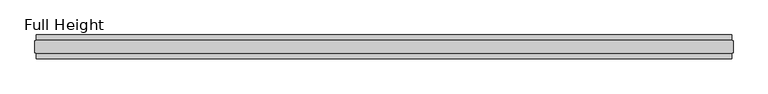
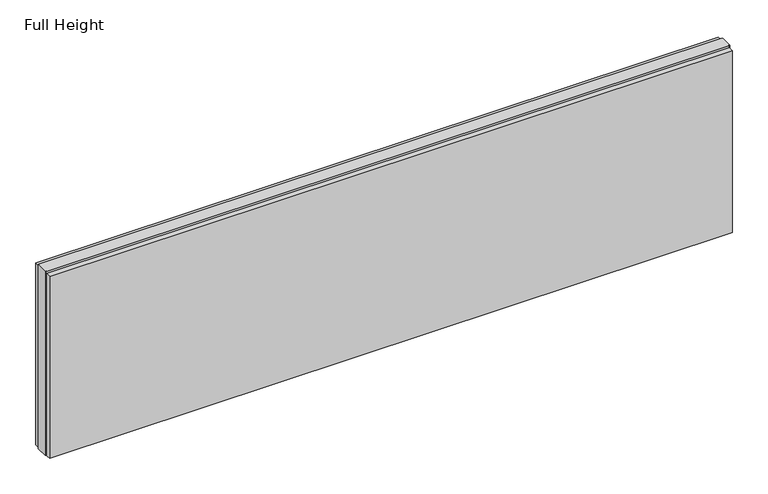
"""IFC4 building model written with IfcOpenShell, lengths in millimetres: plate geometry, Full Height."""

from ifc_helpers import new_model, si_unit, origin, origin_with_axes, place, context, project, spatial, polyline, outline, extrude, source, transform, mapped, element, save


def full_height_a6c6b28a(model_context):
    return source(origin(), model_context, "Body", "SweptSolid", [
        extrude(outline(polyline([(1443.228, -28.956), (1443.228, -49.53), (-1443.228, -49.53), (-1443.228, -28.956), (1443.228, -28.956)])), origin_with_axes(), (0.0, 0.0, 1.0), 814.2916299),
        extrude(outline(polyline([(1443.228, 28.956), (-1443.228, 28.956), (-1443.228, 49.53), (1443.228, 49.53), (1443.228, 28.956)])), origin_with_axes(), (0.0, 0.0, 1.0), 814.2916299),
        extrude(outline(polyline([(1443.228, 25.146), (1447.8, 25.146), (1447.8, -25.146), (1443.228, -25.146), (1443.228, -26.67), (-1443.228, -26.67), (-1443.228, -25.146), (-1447.8, -25.146), (-1447.8, 25.146), (-1443.228, 25.146), (-1443.228, 26.67), (1443.228, 26.67), (1443.228, 25.146)])), origin_with_axes(), (0.0, 0.0, 1.0), 823.4356299),
    ])


if __name__ == "__main__":
    model = new_model("IFC4")
    model_context = context("Model", 3, world=origin())
    ifc_project = project(units=[si_unit("LENGTHUNIT", "METRE", prefix="MILLI")], contexts=[model_context])
    site = spatial("IfcSite", under=ifc_project)
    building = spatial("IfcBuilding", under=site)
    placement = place(None, origin())
    full_height_shape = full_height_a6c6b28a(model_context)
    element("IfcPlate", 1, ObjectType="Full Height", at=placement, inside=building, context=model_context, shape_type="MappedRepresentation", body=[
        mapped(full_height_shape, transform((0.0, 0.0, 0.0), x_axis=(1.0, 0.0, 0.0), y_axis=(0.0, 1.0, 0.0), z_axis=(0.0, 0.0, 1.0))),
    ])
    save(model, "model.ifc")
